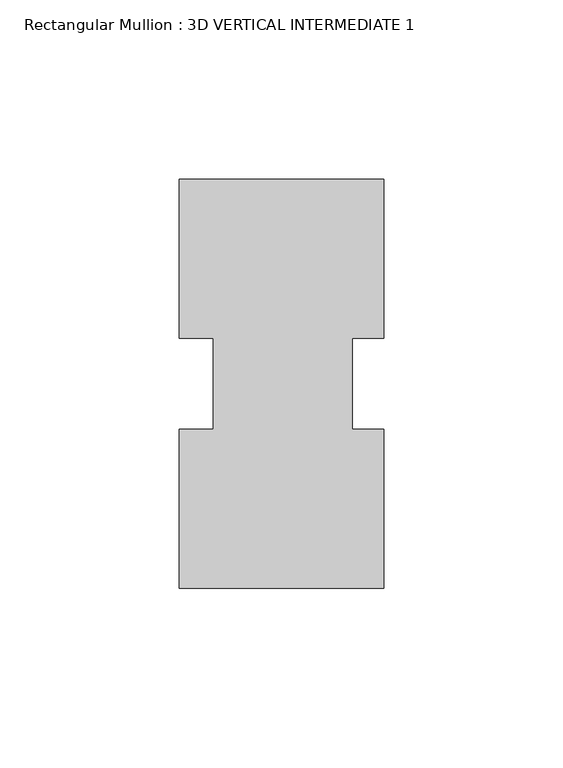
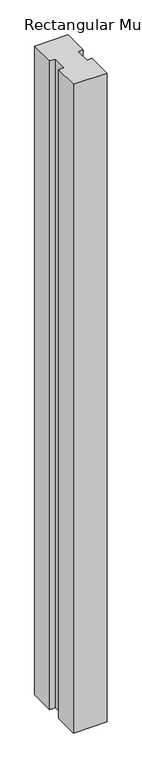
"""IFC4 building model written with IfcOpenShell, lengths in millimetres: member geometry, Rectangular Mullion : 3D VERTICAL INTERMEDIATE 1."""

from ifc_helpers import new_model, si_unit, frame, origin, place, context, project, spatial, polyline, outline, extrude, source, transform, mapped, element, save


def rectangular_mullion_3d_vertical_intermediate_1_202d8342(model_context):
    return source(origin(), model_context, "Body", "SweptSolid", [
        extrude(outline(polyline([(-31.5706924, 57.161217), (25.5793076, 57.161217), (25.5793076, 12.7438492), (16.8480576, 12.7438492), (16.8480576, -12.7438492), (25.5793076, -12.7438492), (25.5793076, -57.138783), (-31.5706924, -57.138783), (-31.5706924, -12.7438492), (-22.0456924, -12.7438492), (-22.0456924, 12.7438492), (-31.5706924, 12.7438492), (-31.5706924, 57.161217)])), frame((0.0, 0.0, -1168.4), z_axis=(0.0, 0.0, 1.0), x_axis=(1.0, 0.0, 0.0)), (0.0, 0.0, 1.0), 1168.4),
    ])


if __name__ == "__main__":
    model = new_model("IFC4")
    model_context = context("Model", 3, world=origin())
    ifc_project = project(units=[si_unit("LENGTHUNIT", "METRE", prefix="MILLI")], contexts=[model_context])
    site = spatial("IfcSite", under=ifc_project)
    building = spatial("IfcBuilding", under=site)
    placement = place(None, origin())
    rectangular_mullion_3d_vertical_intermediate_1_shape = rectangular_mullion_3d_vertical_intermediate_1_202d8342(model_context)
    element("IfcMember", 1, ObjectType="Rectangular Mullion : 3D VERTICAL INTERMEDIATE 1", at=placement, inside=building, context=model_context, shape_type="MappedRepresentation", body=[
        mapped(rectangular_mullion_3d_vertical_intermediate_1_shape, transform((0.0, 0.0, 0.0), x_axis=(1.0, 0.0, 0.0), y_axis=(0.0, 1.0, 0.0), z_axis=(0.0, 0.0, 1.0))),
    ])
    save(model, "model.ifc")
